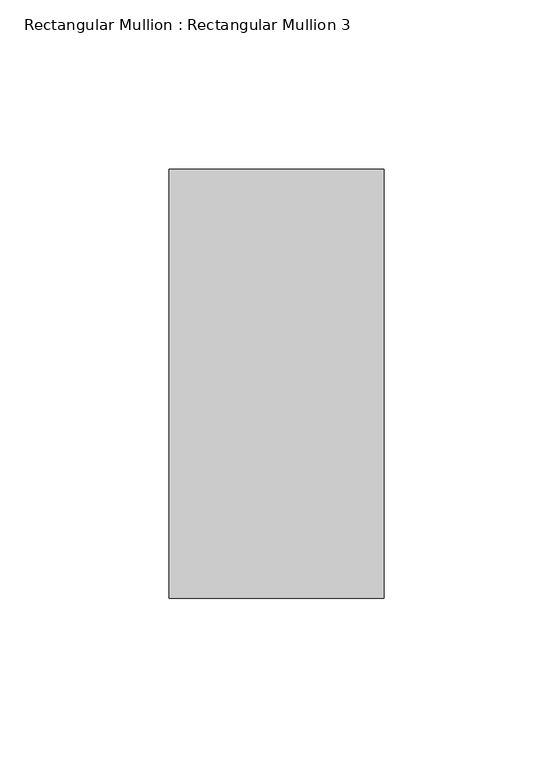
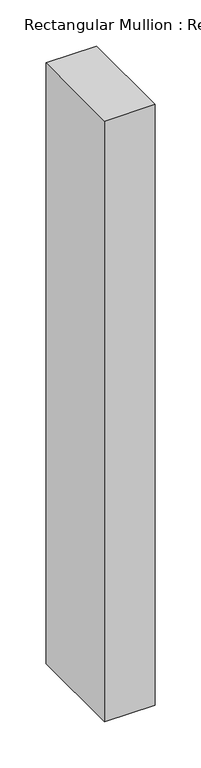
"""IFC4 building model written with IfcOpenShell, lengths in millimetres: member geometry, Rectangular Mullion : Rectangular Mullion 3."""

from ifc_helpers import new_model, si_unit, frame, origin, place, context, project, spatial, polyline, outline, extrude, source, transform, mapped, element, save


def rectangular_mullion_rectangular_mullion_3_c29f3f63(model_context):
    return source(origin(), model_context, "Body", "SweptSolid", [
        extrude(outline(polyline([(63.6, 188.5), (63.6, 61.5), (0.0, 61.5), (0.0, 188.5), (63.6, 188.5)])), frame((0.0, 0.0, -796.0), z_axis=(0.0, 0.0, 1.0), x_axis=(1.0, 0.0, 0.0)), (0.0, 0.0, 1.0), 796.0),
    ])


if __name__ == "__main__":
    model = new_model("IFC4")
    model_context = context("Model", 3, world=origin())
    ifc_project = project(units=[si_unit("LENGTHUNIT", "METRE", prefix="MILLI")], contexts=[model_context])
    site = spatial("IfcSite", under=ifc_project)
    building = spatial("IfcBuilding", under=site)
    placement = place(None, origin())
    rectangular_mullion_rectangular_mullion_3_shape = rectangular_mullion_rectangular_mullion_3_c29f3f63(model_context)
    element("IfcMember", 1, ObjectType="Rectangular Mullion : Rectangular Mullion 3", at=placement, inside=building, context=model_context, shape_type="MappedRepresentation", body=[
        mapped(rectangular_mullion_rectangular_mullion_3_shape, transform((0.0, 0.0, 0.0), x_axis=(1.0, 0.0, 0.0), y_axis=(0.0, 1.0, 0.0), z_axis=(0.0, 0.0, 1.0))),
    ])
    save(model, "model.ifc")
